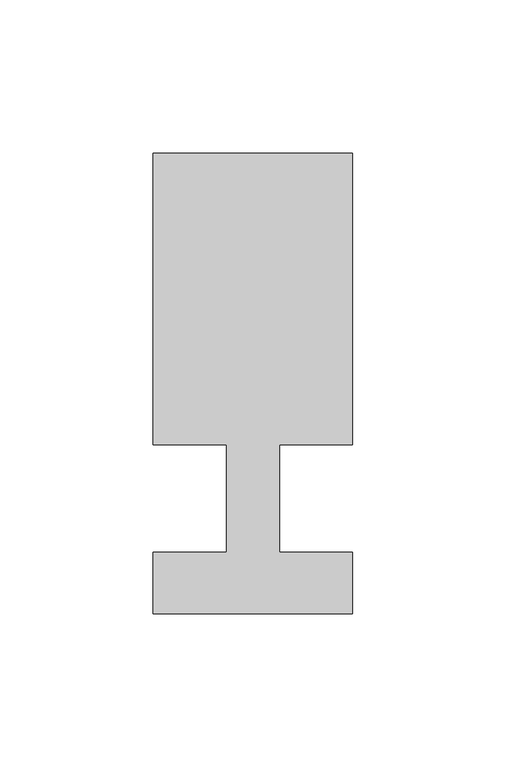
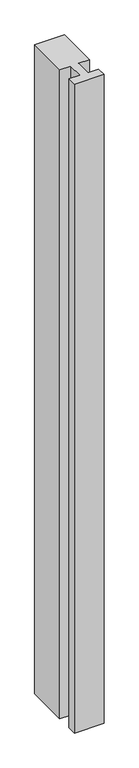
"""IFC4 building model written with IfcOpenShell, lengths in millimetres: member geometry."""

from ifc_helpers import new_model, si_unit, frame, origin, place, context, project, spatial, polyline, outline, extrude, source, transform, mapped, element, save


def member_122fca8d(model_context):
    return source(origin(), model_context, "Body", "SweptSolid", [
        extrude(outline(polyline([(-65.0, -37.0), (-65.0, -17.0), (-41.1875, -17.0), (-41.1875, 18.0), (-65.0, 18.0), (-65.0, 113.0), (0.0, 113.0), (0.0, 18.0), (-23.8125, 18.0), (-23.8125, -17.0), (0.0, -17.0), (0.0, -37.0), (-65.0, -37.0)])), frame((0.0, 0.0, -1500.0), z_axis=(0.0, 0.0, 1.0), x_axis=(1.0, 0.0, 0.0)), (0.0, 0.0, 1.0), 1500.0),
    ])


if __name__ == "__main__":
    model = new_model("IFC4")
    model_context = context("Model", 3, world=origin())
    ifc_project = project(units=[si_unit("LENGTHUNIT", "METRE", prefix="MILLI")], contexts=[model_context])
    site = spatial("IfcSite", under=ifc_project)
    building = spatial("IfcBuilding", under=site)
    placement = place(None, origin())
    member_shape = member_122fca8d(model_context)
    element("IfcMember", 1, at=placement, inside=building, context=model_context, shape_type="MappedRepresentation", body=[
        mapped(member_shape, transform((0.0, 0.0, 0.0), x_axis=(1.0, 0.0, 0.0), y_axis=(0.0, 1.0, 0.0), z_axis=(0.0, 0.0, 1.0))),
    ])
    save(model, "model.ifc")
